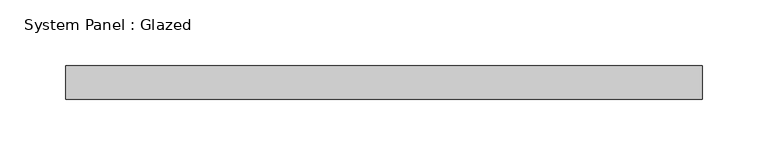
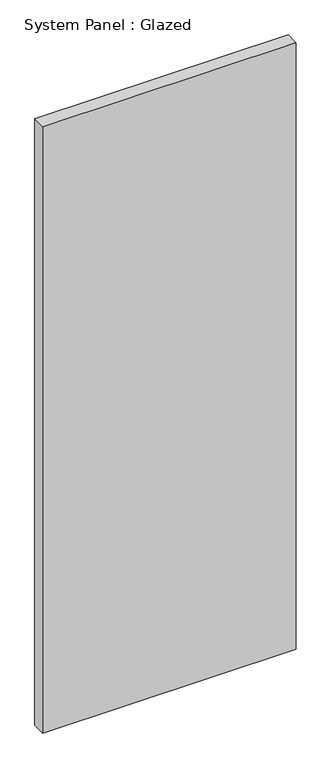
"""IFC4 building model written with IfcOpenShell, lengths in millimetres: plate geometry, System Panel : Glazed."""

from ifc_helpers import new_model, si_unit, origin, origin_with_axes, place, context, project, spatial, polyline, outline, extrude, source, transform, mapped, element, save


def system_panel_glazed_26fec67d(model_context):
    return source(origin(), model_context, "Body", "SweptSolid", [
        extrude(outline(polyline([(241.3, 19.05), (-241.3, 19.05), (-241.3, 44.45), (241.3, 44.45), (241.3, 19.05)])), origin_with_axes(), (0.0, 0.0, 1.0), 1219.2),
    ])


if __name__ == "__main__":
    model = new_model("IFC4")
    model_context = context("Model", 3, world=origin())
    ifc_project = project(units=[si_unit("LENGTHUNIT", "METRE", prefix="MILLI")], contexts=[model_context])
    site = spatial("IfcSite", under=ifc_project)
    building = spatial("IfcBuilding", under=site)
    placement = place(None, origin())
    system_panel_glazed_shape = system_panel_glazed_26fec67d(model_context)
    element("IfcPlate", 1, ObjectType="System Panel : Glazed", at=placement, inside=building, context=model_context, shape_type="MappedRepresentation", body=[
        mapped(system_panel_glazed_shape, transform((0.0, 0.0, 0.0), x_axis=(1.0, 0.0, 0.0), y_axis=(0.0, 1.0, 0.0), z_axis=(0.0, 0.0, 1.0))),
    ])
    save(model, "model.ifc")
